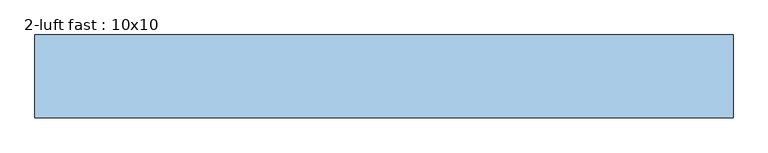
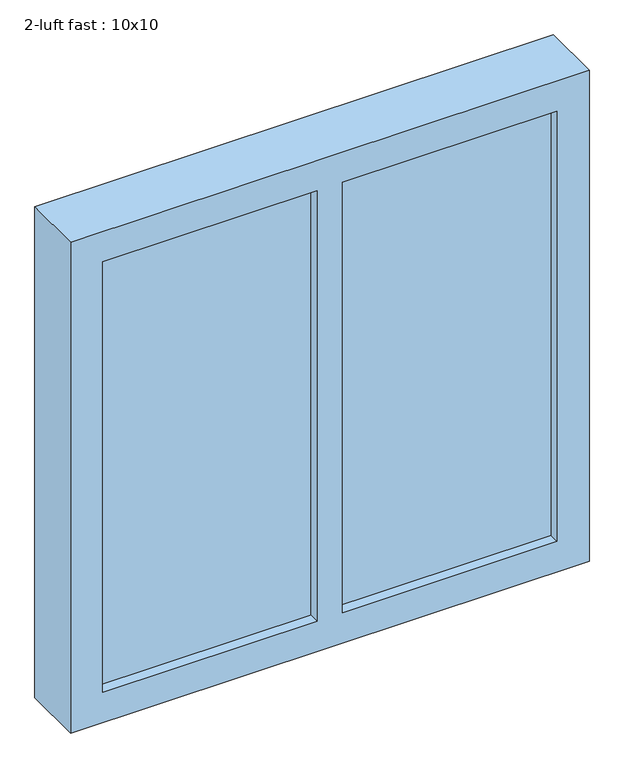
"""IFC4 building model written with IfcOpenShell, lengths in millimetres: window geometry, 2-luft fast : 10x10."""

from ifc_helpers import new_model, si_unit, frame, origin, place, context, project, spatial, polyline, outline, extrude, source, transform, mapped, element, save


def window_2_luft_fast_10x10_b57ce529(model_context):
    return source(origin(), model_context, "Body", "SweptSolid", [
        extrude(outline(polyline([(2150.0, -505.0), (1140.0, -505.0), (1140.0, 505.0), (2150.0, 505.0), (2150.0, -505.0)]), holes=[polyline([(2087.5, 25.0), (2087.5, 442.5), (1202.5, 442.5), (1202.5, 25.0), (2087.5, 25.0)]), polyline([(1202.5, -25.0), (1202.5, -442.5), (2087.5, -442.5), (2087.5, -25.0), (1202.5, -25.0)])]), frame((0.0, -248.0, 0.0), z_axis=(0.0, 1.0, 0.0), x_axis=(0.0, 0.0, 1.0)), (0.0, 0.0, 1.0), 120.0),
        extrude(outline(polyline([(-25.0, -148.0), (-25.0, -228.0), (-442.5, -228.0), (-442.5, -148.0), (-25.0, -148.0)])), frame((0.0, 0.0, 1202.5), z_axis=(0.0, 0.0, 1.0), x_axis=(1.0, 0.0, 0.0)), (0.0, 0.0, 1.0), 885.0),
        extrude(outline(polyline([(442.5, -148.0), (442.5, -228.0), (25.0, -228.0), (25.0, -148.0), (442.5, -148.0)])), frame((0.0, 0.0, 1202.5), z_axis=(0.0, 0.0, 1.0), x_axis=(1.0, 0.0, 0.0)), (0.0, 0.0, 1.0), 885.0),
    ])


if __name__ == "__main__":
    model = new_model("IFC4")
    model_context = context("Model", 3, world=origin())
    ifc_project = project(units=[si_unit("LENGTHUNIT", "METRE", prefix="MILLI")], contexts=[model_context])
    site = spatial("IfcSite", under=ifc_project)
    building = spatial("IfcBuilding", under=site)
    placement = place(None, origin())
    window_2_luft_fast_10x10_shape = window_2_luft_fast_10x10_b57ce529(model_context)
    element("IfcWindow", 1, ObjectType="2-luft fast : 10x10", at=placement, inside=building, context=model_context, shape_type="MappedRepresentation", body=[
        mapped(window_2_luft_fast_10x10_shape, transform((0.0, 0.0, 0.0), x_axis=(1.0, 0.0, 0.0), y_axis=(0.0, 1.0, 0.0), z_axis=(0.0, 0.0, 1.0))),
    ])
    save(model, "model.ifc")
